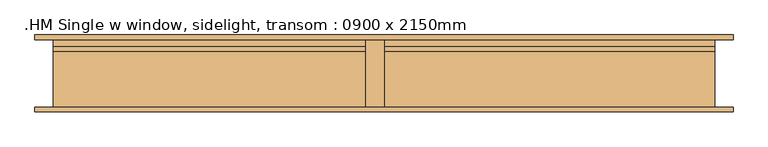
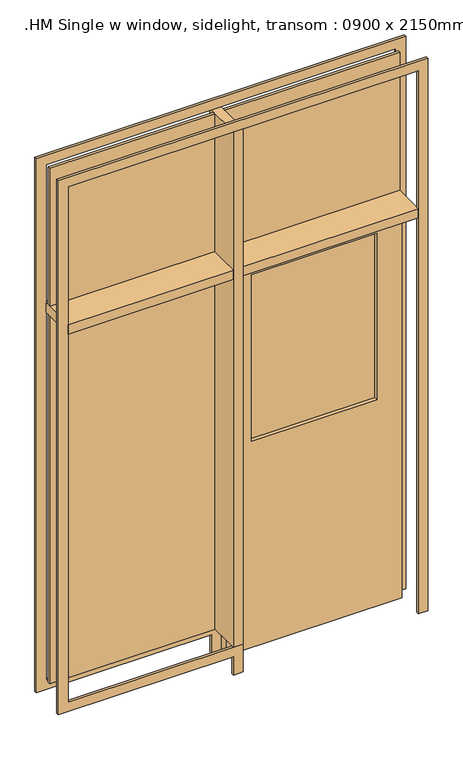
"""IFC4 building model written with IfcOpenShell, lengths in millimetres: door geometry, .HM Single w window, sidelight, transom : 0900 x 2150mm."""

from ifc_helpers import new_model, si_unit, frame, origin, place, context, project, spatial, polyline, outline, extrude, source, transform, mapped, element, save


def hm_single_w_window_sidelight_transom_0900_x_2150mm_f44507e0(model_context):
    return source(origin(), model_context, "Body", "SweptSolid", [
        extrude(outline(polyline([(0.0, 525.4), (3000.0, 525.4), (3000.0, -1374.6), (100.0, -1374.6), (100.0, -474.6), (0.0, -474.6), (0.0, -424.6), (150.0, -424.6), (150.0, -1324.6), (2950.0, -1324.6), (2950.0, 475.4), (0.0, 475.4), (0.0, 525.4)])), frame((0.0, -104.5, 0.0), z_axis=(0.0, 1.0, 0.0), x_axis=(0.0, 0.0, 1.0)), (0.0, 0.0, 1.0), 12.5),
        extrude(outline(polyline([(0.0, -474.6), (0.0, -424.6), (150.0, -424.6), (150.0, -1324.6), (2950.0, -1324.6), (2950.0, 475.4), (0.0, 475.4), (0.0, 525.4), (3000.0, 525.4), (3000.0, -1374.6), (100.0, -1374.6), (100.0, -474.6), (0.0, -474.6)])), frame((0.0, 92.0, 0.0), z_axis=(0.0, 1.0, 0.0), x_axis=(0.0, 0.0, 1.0)), (0.0, 0.0, 1.0), 12.5),
        extrude(outline(polyline([(2150.0, 475.4), (2150.0, -424.6), (0.0, -424.6), (0.0, 475.4), (2150.0, 475.4)]), holes=[polyline([(1119.3, -297.6), (2023.0, -297.6), (2023.0, 348.4), (1119.3, 348.4), (1119.3, -297.6)])]), frame((0.0, 41.0, 0.0), z_axis=(0.0, 1.0, 0.0), x_axis=(0.0, 0.0, 1.0)), (0.0, 0.0, 1.0), 51.0),
        extrude(outline(polyline([(348.4, 60.25), (-297.6, 60.25), (-297.6, 72.75), (348.4, 72.75), (348.4, 60.25)])), frame((0.0, 0.0, 1119.3), z_axis=(0.0, 0.0, 1.0), x_axis=(1.0, 0.0, 0.0)), (0.0, 0.0, 1.0), 903.7),
        extrude(outline(polyline([(-424.6, 104.5), (-424.6, -104.5), (-474.6, -104.5), (-474.6, 104.5), (-424.6, 104.5)])), frame((0.0, 0.0, 150.0), z_axis=(0.0, 0.0, 1.0), x_axis=(1.0, 0.0, 0.0)), (0.0, 0.0, 1.0), 2800.0),
        extrude(outline(polyline([(-474.6, 104.5), (-474.6, -104.5), (-1324.6, -104.5), (-1324.6, 104.5), (-474.6, 104.5)])), frame((0.0, 0.0, 2150.0), z_axis=(0.0, 0.0, 1.0), x_axis=(1.0, 0.0, 0.0)), (0.0, 0.0, 1.0), 50.0),
        extrude(outline(polyline([(475.4, 104.5), (475.4, -104.5), (-424.6, -104.5), (-424.6, 104.5), (475.4, 104.5)])), frame((0.0, 0.0, 2150.0), z_axis=(0.0, 0.0, 1.0), x_axis=(1.0, 0.0, 0.0)), (0.0, 0.0, 1.0), 50.0),
        extrude(outline(polyline([(-1324.6, 72.75), (-474.6, 72.75), (-474.6, 60.25), (-1324.6, 60.25), (-1324.6, 72.75)])), frame((0.0, 0.0, 2200.0), z_axis=(0.0, 0.0, 1.0), x_axis=(1.0, 0.0, 0.0)), (0.0, 0.0, 1.0), 750.0),
        extrude(outline(polyline([(-424.6, 72.75), (475.4, 72.75), (475.4, 60.25), (-424.6, 60.25), (-424.6, 72.75)])), frame((0.0, 0.0, 2200.0), z_axis=(0.0, 0.0, 1.0), x_axis=(1.0, 0.0, 0.0)), (0.0, 0.0, 1.0), 750.0),
        extrude(outline(polyline([(-1324.6, 72.75), (-474.6, 72.75), (-474.6, 60.25), (-1324.6, 60.25), (-1324.6, 72.75)])), frame((0.0, 0.0, 150.0), z_axis=(0.0, 0.0, 1.0), x_axis=(1.0, 0.0, 0.0)), (0.0, 0.0, 1.0), 2000.0),
    ])


if __name__ == "__main__":
    model = new_model("IFC4")
    model_context = context("Model", 3, world=origin())
    ifc_project = project(units=[si_unit("LENGTHUNIT", "METRE", prefix="MILLI")], contexts=[model_context])
    site = spatial("IfcSite", under=ifc_project)
    building = spatial("IfcBuilding", under=site)
    placement = place(None, origin())
    hm_single_w_window_sidelight_transom_0900_x_2150mm_shape = hm_single_w_window_sidelight_transom_0900_x_2150mm_f44507e0(model_context)
    element("IfcDoor", 1, ObjectType=".HM Single w window, sidelight, transom : 0900 x 2150mm", at=placement, inside=building, context=model_context, shape_type="MappedRepresentation", body=[
        mapped(hm_single_w_window_sidelight_transom_0900_x_2150mm_shape, transform((0.0, 0.0, 0.0), x_axis=(1.0, 0.0, 0.0), y_axis=(0.0, 1.0, 0.0), z_axis=(0.0, 0.0, 1.0))),
    ])
    save(model, "model.ifc")
